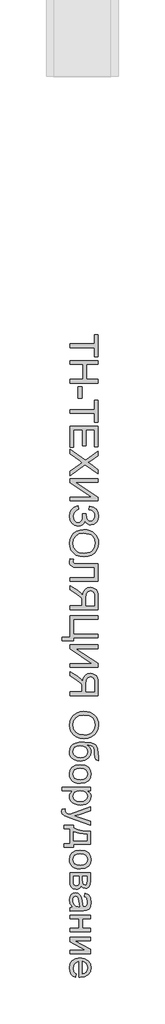
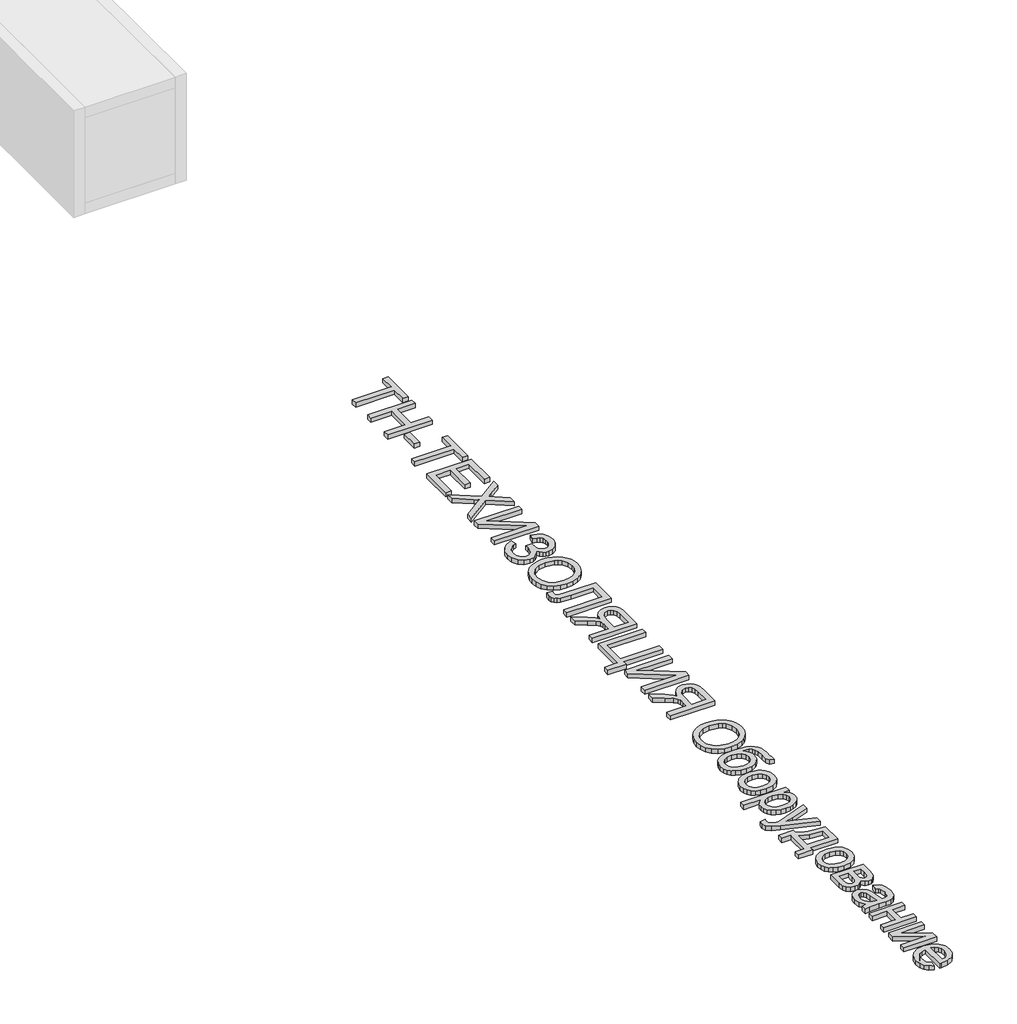
# One storey, part 2 of 2: 1 proxy.
"""IFC4 building model written with IfcOpenShell, lengths in millimetres."""

from ifc_helpers import new_model, si_unit, origin, origin_with_axes, place, context, project, spatial, polyline, outline, extrude, element, save

model = new_model("IFC4")

# Units and contexts
model_context = context("Model", 3, world=origin())
ifc_project = project(units=[si_unit("LENGTHUNIT", "METRE", prefix="MILLI")], contexts=[model_context])

# Site, building, storey
site = spatial("IfcSite", under=ifc_project)
building = spatial("IfcBuilding", under=site)
storey = spatial("IfcBuildingStorey", under=building, Elevation=0.0)

# Proxy
placement = place(None, origin())
element("IfcBuildingElementProxy", 1, Name="Generic Models", at=placement, inside=storey, context=model_context, shape_type="SweptSolid", body=[
    extrude(outline(polyline([(13619.5520286, -37659.3593778), (13791.8597209, -37659.3593778), (13791.8597209, -37594.7439932), (13816.4751055, -37594.7439932), (13816.4751055, -37748.590147), (13791.8597209, -37748.590147), (13791.8597209, -37683.9747624), (13619.5520286, -37683.9747624), (13619.5520286, -37659.3593778)])), origin_with_axes(), (0.0, 0.0, 1.0), 20.0),
    extrude(outline(polyline([(13619.5520286, -37776.2824547), (13816.4751055, -37776.2824547), (13816.4751055, -37800.8978393), (13736.4751055, -37800.8978393), (13736.4751055, -37905.5132239), (13816.4751055, -37905.5132239), (13816.4751055, -37930.1286085), (13619.5520286, -37930.1286085), (13619.5520286, -37905.5132239), (13711.8597209, -37905.5132239), (13711.8597209, -37800.8978393), (13619.5520286, -37800.8978393), (13619.5520286, -37776.2824547)])), origin_with_axes(), (0.0, 0.0, 1.0), 20.0),
    extrude(outline(polyline([(13678.0135671, -37957.8209162), (13702.6289517, -37957.8209162), (13702.6289517, -38034.7439932), (13678.0135671, -38034.7439932), (13678.0135671, -37957.8209162)])), origin_with_axes(), (0.0, 0.0, 1.0), 20.0),
    extrude(outline(polyline([(13619.5520286, -38114.7439932), (13791.8597209, -38114.7439932), (13791.8597209, -38050.1286085), (13816.4751055, -38050.1286085), (13816.4751055, -38203.9747624), (13791.8597209, -38203.9747624), (13791.8597209, -38139.3593778), (13619.5520286, -38139.3593778), (13619.5520286, -38114.7439932)])), origin_with_axes(), (0.0, 0.0, 1.0), 20.0),
    extrude(outline(polyline([(13619.5520286, -38231.6670701), (13816.4751055, -38231.6670701), (13816.4751055, -38373.2055316), (13791.8597209, -38373.2055316), (13791.8597209, -38256.2824547), (13733.3981825, -38256.2824547), (13733.3981825, -38367.0516855), (13708.7827978, -38367.0516855), (13708.7827978, -38256.2824547), (13644.1674132, -38256.2824547), (13644.1674132, -38376.2824547), (13619.5520286, -38376.2824547), (13619.5520286, -38231.6670701)])), origin_with_axes(), (0.0, 0.0, 1.0), 20.0),
    extrude(outline(polyline([(13619.5520286, -38391.6670701), (13726.8597209, -38467.5805316), (13816.4751055, -38403.9747624), (13816.4751055, -38433.4939932), (13766.0424132, -38469.3113008), (13746.3789517, -38481.3786085), (13766.3789517, -38495.5132239), (13816.4751055, -38530.9459162), (13816.4751055, -38560.8978393), (13726.5712594, -38497.2920701), (13619.5520286, -38573.2055316), (13619.5520286, -38543.6863008), (13690.8981825, -38493.1093778), (13705.7058748, -38482.5805316), (13689.4558748, -38470.9939932), (13619.5520286, -38421.6189932), (13619.5520286, -38391.6670701)])), origin_with_axes(), (0.0, 0.0, 1.0), 20.0),
    extrude(outline(polyline([(13816.4751055, -38594.7439932), (13816.4751055, -38619.3593778), (13660.5135671, -38619.3593778), (13816.4751055, -38722.4363008), (13816.4751055, -38748.590147), (13619.5520286, -38748.590147), (13619.5520286, -38723.9747624), (13775.0808748, -38723.9747624), (13619.5520286, -38621.1382239), (13619.5520286, -38594.7439932), (13816.4751055, -38594.7439932)])), origin_with_axes(), (0.0, 0.0, 1.0), 20.0),
    extrude(outline(polyline([(13674.936644, -38782.4363008), (13681.0904902, -38807.0516855), (13667.7671728, -38812.2500028), (13654.4318363, -38822.1718778), (13644.4258267, -38836.4567335), (13641.0904902, -38854.7439932), (13643.5964998, -38873.2716374), (13651.1145286, -38887.4122624), (13662.1782305, -38896.3725989), (13675.3212594, -38899.3593778), (13689.0892882, -38896.0961566), (13699.7202978, -38886.3064932), (13706.5171728, -38870.8918297), (13708.7827978, -38850.7536085), (13708.7827978, -38837.8209162), (13733.3981825, -38837.8209162), (13735.3933748, -38865.6814932), (13738.9390478, -38874.762022), (13745.5856825, -38882.7247624), (13754.3416921, -38888.277647), (13764.2154902, -38890.1286085), (13775.8080382, -38887.6646662), (13785.7779902, -38880.2728393), (13792.6469805, -38868.6742816), (13794.936644, -38853.590147), (13793.1758267, -38839.9543297), (13787.8933748, -38828.4699547), (13779.702269, -38819.6718778), (13769.2154902, -38814.0949547), (13751.8597209, -38810.1286085), (13758.0135671, -38785.5132239), (13784.936644, -38793.1604595), (13804.1674132, -38807.0156278), (13815.7058748, -38827.0787287), (13819.5520286, -38853.3497624), (13815.5556344, -38878.6923105), (13803.5664517, -38898.1814932), (13786.2287113, -38910.6033682), (13766.186644, -38914.7439932), (13753.232918, -38913.1334162), (13741.8236632, -38908.3016855), (13731.9588796, -38900.2488008), (13723.6385671, -38888.9747624), (13717.3344805, -38902.6646662), (13706.6914517, -38913.9266855), (13692.6229421, -38921.4627432), (13676.0424132, -38923.9747624), (13652.7311152, -38919.1550508), (13633.5664517, -38904.6959162), (13620.7479421, -38882.2800508), (13616.4751055, -38853.590147), (13620.1289517, -38828.6262047), (13631.0904902, -38808.4459162), (13649.3597209, -38793.0492816), (13674.936644, -38782.4363008)])), origin_with_axes(), (0.0, 0.0, 1.0), 20.0),
    extrude(outline(polyline([(13715.4174132, -38948.590147), (13738.51537, -38950.230772), (13758.9630863, -38955.152647), (13776.7605623, -38963.355772), (13791.9077978, -38974.840147), (13804.0021488, -38988.917671), (13812.6409709, -39004.9002432), (13817.8242642, -39022.7878633), (13819.5520286, -39042.5805316), (13816.3068363, -39068.4098585), (13806.5712594, -39091.5709162), (13791.030394, -39110.8016855), (13770.3693363, -39124.840147), (13745.5856825, -39133.4218778), (13717.6770286, -39136.2824547), (13689.3957786, -39133.2716374), (13664.2635671, -39124.2391855), (13643.5664517, -39109.683897), (13628.5904902, -39090.1045701), (13619.5039517, -39067.1418297), (13616.4751055, -39042.4363008), (13619.8224613, -39016.2103393), (13629.8645286, -38992.9170701), (13645.6938555, -38973.7343778), (13666.4029902, -38959.840147), (13690.2311152, -38951.402647), (13715.4174132, -38948.590147)]), holes=[polyline([(13715.1770286, -38973.2055316), (13684.3717402, -38978.1274066), (13660.8981825, -38992.8930316), (13646.0424132, -39015.0865412), (13641.0904902, -39042.2920701), (13646.0904902, -39069.8942335), (13661.0904902, -39092.1238008), (13672.139168, -39100.6739811), (13685.2852017, -39106.7812528), (13717.8693363, -39111.6670701), (13739.6602017, -39109.5757239), (13758.4943363, -39103.3016855), (13773.8969805, -39093.0072143), (13785.3933748, -39078.8545701), (13792.5508267, -39061.7812528), (13794.936644, -39042.7247624), (13790.3392882, -39016.246397), (13776.5472209, -38993.7343778), (13765.8155502, -38984.7530076), (13752.0099613, -38978.3377432), (13715.1770286, -38973.2055316)])]), origin_with_axes(), (0.0, 0.0, 1.0), 20.0),
    extrude(outline(polyline([(13816.4751055, -39185.5132239), (13816.4751055, -39305.5132239), (13619.5520286, -39305.5132239), (13619.5520286, -39280.8978393), (13791.8597209, -39280.8978393), (13791.8597209, -39210.1286085), (13691.3789517, -39210.1286085), (13646.5472209, -39207.2680316), (13633.8789517, -39202.8389451), (13624.3837594, -39195.2728393), (13618.452269, -39184.9122624), (13616.4751055, -39172.0997624), (13619.5520286, -39151.6670701), (13644.1674132, -39154.7439932), (13641.0904902, -39166.5228393), (13642.7431344, -39174.8461566), (13647.7010671, -39180.777647), (13658.7888075, -39184.3293297), (13678.8308748, -39185.5132239), (13816.4751055, -39185.5132239)])), origin_with_axes(), (0.0, 0.0, 1.0), 20.0),
    extrude(outline(polyline([(13619.5520286, -39502.4363008), (13619.5520286, -39477.8209162), (13705.7058748, -39477.8209162), (13705.7058748, -39448.1093778), (13704.8404902, -39433.8305316), (13700.1529902, -39422.1238008), (13687.3885671, -39409.1189932), (13660.3693363, -39390.6093778), (13619.5520286, -39364.9843778), (13619.5520286, -39336.3786085), (13672.9174132, -39369.215147), (13698.2539517, -39389.1670701), (13708.7827978, -39403.1574547), (13715.3092402, -39378.9086566), (13727.1001055, -39361.9314932), (13743.1818363, -39351.9254835), (13762.5808748, -39348.590147), (13778.1758267, -39350.6033682), (13792.3645286, -39356.6430316), (13803.8068363, -39366.0540893), (13811.1626055, -39378.1814932), (13815.1469805, -39394.7740412), (13816.4751055, -39417.5805316), (13816.4751055, -39502.4363008), (13619.5520286, -39502.4363008)]), holes=[polyline([(13730.3212594, -39477.8209162), (13791.8597209, -39477.8209162), (13791.8597209, -39416.5228393), (13789.7323171, -39397.0456758), (13783.3501055, -39383.6141855), (13773.6746248, -39375.8076951), (13761.6674132, -39373.2055316), (13744.9606825, -39378.6622624), (13733.8068363, -39394.6238008), (13730.3212594, -39422.7247624), (13730.3212594, -39477.8209162)])]), origin_with_axes(), (0.0, 0.0, 1.0), 20.0),
    extrude(outline(polyline([(13816.4751055, -39545.5132239), (13816.4751055, -39570.1286085), (13644.1674132, -39570.1286085), (13644.1674132, -39674.7439932), (13816.4751055, -39674.7439932), (13816.4751055, -39699.3593778), (13644.1674132, -39699.3593778), (13644.1674132, -39717.8209162), (13564.1674132, -39717.8209162), (13564.1674132, -39693.2055316), (13619.5520286, -39693.2055316), (13619.5520286, -39545.5132239), (13816.4751055, -39545.5132239)])), origin_with_axes(), (0.0, 0.0, 1.0), 20.0),
    extrude(outline(polyline([(13816.4751055, -39748.590147), (13816.4751055, -39773.2055316), (13660.5135671, -39773.2055316), (13816.4751055, -39876.2824547), (13816.4751055, -39902.4363008), (13619.5520286, -39902.4363008), (13619.5520286, -39877.8209162), (13775.0808748, -39877.8209162), (13619.5520286, -39774.9843778), (13619.5520286, -39748.590147), (13816.4751055, -39748.590147)])), origin_with_axes(), (0.0, 0.0, 1.0), 20.0),
    extrude(outline(polyline([(13619.5520286, -40099.3593778), (13619.5520286, -40074.7439932), (13705.7058748, -40074.7439932), (13705.7058748, -40045.0324547), (13704.8404902, -40030.7536085), (13700.1529902, -40019.0468778), (13687.3885671, -40006.0420701), (13660.3693363, -39987.5324547), (13619.5520286, -39961.9074547), (13619.5520286, -39933.3016855), (13672.9174132, -39966.1382239), (13698.2539517, -39986.090147), (13708.7827978, -40000.0805316), (13715.3092402, -39975.8317335), (13727.1001055, -39958.8545701), (13743.1818363, -39948.8485605), (13762.5808748, -39945.5132239), (13778.1758267, -39947.5264451), (13792.3645286, -39953.5661085), (13803.8068363, -39962.9771662), (13811.1626055, -39975.1045701), (13815.1469805, -39991.6971182), (13816.4751055, -40014.5036085), (13816.4751055, -40099.3593778), (13619.5520286, -40099.3593778)]), holes=[polyline([(13730.3212594, -40074.7439932), (13791.8597209, -40074.7439932), (13791.8597209, -40013.4459162), (13789.7323171, -39993.9687528), (13783.3501055, -39980.5372624), (13773.6746248, -39972.730772), (13761.6674132, -39970.1286085), (13744.9606825, -39975.5853393), (13733.8068363, -39991.5468778), (13730.3212594, -40019.6478393), (13730.3212594, -40074.7439932)])]), origin_with_axes(), (0.0, 0.0, 1.0), 20.0),
    extrude(outline(polyline([(13715.4174132, -40210.1286085), (13738.51537, -40211.7692335), (13758.9630863, -40216.6911085), (13776.7605623, -40224.8942335), (13791.9077978, -40236.3786085), (13804.0021488, -40250.4561326), (13812.6409709, -40266.4387047), (13817.8242642, -40284.3263249), (13819.5520286, -40304.1189932), (13816.3068363, -40329.9483201), (13806.5712594, -40353.1093778), (13791.030394, -40372.340147), (13770.3693363, -40386.3786085), (13745.5856825, -40394.9603393), (13717.6770286, -40397.8209162), (13689.3957786, -40394.8100989), (13664.2635671, -40385.777647), (13643.5664517, -40371.2223585), (13628.5904902, -40351.6430316), (13619.5039517, -40328.6802912), (13616.4751055, -40303.9747624), (13619.8224613, -40277.7488008), (13629.8645286, -40254.4555316), (13645.6938555, -40235.2728393), (13666.4029902, -40221.3786085), (13690.2311152, -40212.9411085), (13715.4174132, -40210.1286085)]), holes=[polyline([(13715.1770286, -40234.7439932), (13684.3717402, -40239.6658682), (13660.8981825, -40254.4314932), (13646.0424132, -40276.6250028), (13641.0904902, -40303.8305316), (13646.0904902, -40331.4326951), (13661.0904902, -40353.6622624), (13672.139168, -40362.2124427), (13685.2852017, -40368.3197143), (13717.8693363, -40373.2055316), (13739.6602017, -40371.1141855), (13758.4943363, -40364.840147), (13773.8969805, -40354.5456758), (13785.3933748, -40340.3930316), (13792.5508267, -40323.3197143), (13794.936644, -40304.2632239), (13790.3392882, -40277.7848585), (13776.5472209, -40255.2728393), (13765.8155502, -40246.2914691), (13752.0099613, -40239.8762047), (13715.1770286, -40234.7439932)])]), origin_with_axes(), (0.0, 0.0, 1.0), 20.0),
    extrude(outline(polyline([(13819.5520286, -40530.1286085), (13819.5520286, -40551.6670701), (13800.3452978, -40545.3209162), (13793.3981825, -40532.7728393), (13791.8597209, -40502.6286085), (13790.4414517, -40477.5985605), (13786.186644, -40462.027647), (13778.8068363, -40452.7127432), (13768.0135671, -40446.4507239), (13735.8501055, -40441.1863008), (13749.6001055, -40451.0841374), (13759.4077978, -40462.5084162), (13765.2852017, -40475.4711566), (13767.2443363, -40489.9843778), (13762.2623652, -40515.5973585), (13747.3164517, -40536.3786085), (13723.8729421, -40550.152647), (13693.3981825, -40554.7439932), (13669.9005863, -40552.4663489), (13651.0424132, -40545.6334162), (13636.3849613, -40535.6754835), (13625.4895286, -40524.0228393), (13618.7287113, -40509.2632239), (13616.4751055, -40489.9843778), (13619.3777498, -40467.7668297), (13628.0856825, -40451.1141855), (13641.3188555, -40438.8605797), (13657.7972209, -40429.840147), (13682.6109228, -40424.2872624), (13720.8501055, -40422.4363008), (13768.0796728, -40427.105772), (13784.7849012, -40432.9426109), (13796.8837594, -40441.1141855), (13805.4549733, -40451.707635), (13811.577269, -40464.8100989), (13816.4751055, -40498.5420701), (13817.0279902, -40525.9459162), (13819.5520286, -40530.1286085)]), holes=[polyline([(13694.1674132, -40530.1286085), (13713.5364036, -40527.4603393), (13729.0472209, -40519.4555316), (13739.233519, -40506.5949547), (13742.6289517, -40489.3593778), (13739.0412113, -40471.3906278), (13728.2779902, -40458.0613008), (13711.5171728, -40449.8040893), (13689.936644, -40447.0516855), (13669.0171728, -40450.0925508), (13653.6626055, -40459.215147), (13644.233519, -40472.7968778), (13641.0904902, -40489.215147), (13644.7263075, -40505.7175508), (13655.6337594, -40518.7824547), (13672.5388075, -40527.2920701), (13694.1674132, -40530.1286085)])]), origin_with_axes(), (0.0, 0.0, 1.0), 20.0),
    extrude(outline(polyline([(13691.8597209, -40579.3593778), (13726.7275094, -40584.683897), (13740.2761873, -40591.339546), (13751.2347209, -40600.6574547), (13763.2419325, -40620.3930316), (13767.2443363, -40644.0228393), (13762.3705382, -40669.8822143), (13747.749144, -40690.5372624), (13724.5339998, -40704.0769258), (13693.8789517, -40708.590147), (13669.0111632, -40706.5949547), (13650.0808748, -40700.6093778), (13635.9041921, -40690.8076951), (13625.2972209, -40677.3641855), (13618.6806344, -40661.3966374), (13616.4751055, -40644.0228393), (13621.3308748, -40617.8509643), (13635.8981825, -40597.2199547), (13659.6001055, -40583.824522), (13691.8597209, -40579.3593778)]), holes=[polyline([(13691.9077978, -40603.9747624), (13669.6301536, -40606.8233201), (13653.7587594, -40615.3689932), (13644.2575575, -40628.2295701), (13641.0904902, -40644.0228393), (13644.2755863, -40659.7439932), (13653.8308748, -40672.5805316), (13669.9126055, -40681.1262047), (13692.6770286, -40683.9747624), (13714.3056344, -40681.1081758), (13729.9606825, -40672.5084162), (13739.4618844, -40659.6538489), (13742.6289517, -40644.0228393), (13739.4739036, -40628.2295701), (13730.0087594, -40615.3689932), (13714.1734228, -40606.8233201), (13691.9077978, -40603.9747624)])]), origin_with_axes(), (0.0, 0.0, 1.0), 20.0),
    extrude(outline(polyline([(13564.1674132, -40736.2824547), (13764.1674132, -40736.2824547), (13764.1674132, -40760.8978393), (13740.0327978, -40760.8978393), (13760.4414517, -40777.9170701), (13765.5436152, -40788.3978393), (13767.2443363, -40800.8978393), (13764.8645286, -40817.5444739), (13757.7251055, -40832.0997624), (13746.2587594, -40843.9507239), (13730.8981825, -40852.4843778), (13712.7611632, -40857.6406278), (13692.9654902, -40859.3593778), (13671.9138075, -40857.418272), (13653.0856825, -40851.5949547), (13637.436644, -40842.0757239), (13625.9222209, -40829.0468778), (13618.8368844, -40813.8725989), (13616.4751055, -40797.9170701), (13618.0556344, -40786.6009643), (13622.7972209, -40776.4988008), (13638.7827978, -40760.8978393), (13564.1674132, -40760.8978393), (13564.1674132, -40736.2824547)]), holes=[polyline([(13690.7058748, -40760.8978393), (13668.6385671, -40763.5600989), (13653.2058748, -40771.5468778), (13644.1193363, -40783.3317335), (13641.0904902, -40797.3882239), (13644.2275094, -40811.6730797), (13653.6385671, -40823.7584162), (13669.6361632, -40831.9975989), (13692.5327978, -40834.7439932), (13714.4799132, -40832.0637047), (13730.1289517, -40824.0228393), (13739.5039517, -40812.2560124), (13742.6289517, -40798.3978393), (13739.3056344, -40784.4855797), (13729.3356825, -40772.2680316), (13713.0315959, -40763.7403874), (13690.7058748, -40760.8978393)])]), origin_with_axes(), (0.0, 0.0, 1.0), 20.0),
    extrude(outline(polyline([(13564.1674132, -40887.0516855), (13587.8693363, -40883.9747624), (13585.7058748, -40896.4747624), (13588.4222209, -40908.1574547), (13595.9943363, -40915.3209162), (13614.1193363, -40922.0516855), (13620.0808748, -40923.9747624), (13764.1674132, -40871.6670701), (13764.1674132, -40897.6286085), (13683.8789517, -40925.3689932), (13651.7635671, -40935.0324547), (13680.1289517, -40944.6959162), (13764.1674132, -40973.2055316), (13764.1674132, -40998.9747624), (13616.0904902, -40948.6382239), (13583.9751055, -40935.5613008), (13566.6193363, -40921.2824547), (13561.0904902, -40902.0997624), (13564.1674132, -40887.0516855)])), origin_with_axes(), (0.0, 0.0, 1.0), 20.0),
    extrude(outline(polyline([(13764.1674132, -41040.8978393), (13764.1674132, -41133.2055316), (13644.1674132, -41133.2055316), (13644.1674132, -41151.6670701), (13579.5520286, -41151.6670701), (13579.5520286, -41127.0516855), (13619.5520286, -41127.0516855), (13619.5520286, -41025.5132239), (13579.5520286, -41025.5132239), (13579.5520286, -41000.8978393), (13644.1674132, -41000.8978393), (13644.1674132, -41016.2824547), (13664.3777498, -41027.4663489), (13691.1145286, -41035.2968778), (13724.3777498, -41039.7740412), (13764.1674132, -41040.8978393)]), holes=[polyline([(13739.5520286, -41062.4363008), (13683.4702978, -41056.6670701), (13644.1674132, -41043.9747624), (13644.1674132, -41108.590147), (13739.5520286, -41108.590147), (13739.5520286, -41062.4363008)])]), origin_with_axes(), (0.0, 0.0, 1.0), 20.0),
    extrude(outline(polyline([(13691.8597209, -41173.2055316), (13726.7275094, -41178.5300508), (13740.2761873, -41185.1856999), (13751.2347209, -41194.5036085), (13763.2419325, -41214.2391855), (13767.2443363, -41237.8689932), (13762.3705382, -41263.7283682), (13747.749144, -41284.3834162), (13724.5339998, -41297.9230797), (13693.8789517, -41302.4363008), (13669.0111632, -41300.4411085), (13650.0808748, -41294.4555316), (13635.9041921, -41284.6538489), (13625.2972209, -41271.2103393), (13618.6806344, -41255.2427912), (13616.4751055, -41237.8689932), (13621.3308748, -41211.6971182), (13635.8981825, -41191.0661085), (13659.6001055, -41177.6706758), (13691.8597209, -41173.2055316)]), holes=[polyline([(13691.9077978, -41197.8209162), (13669.6301536, -41200.6694739), (13653.7587594, -41209.215147), (13644.2575575, -41222.0757239), (13641.0904902, -41237.8689932), (13644.2755863, -41253.590147), (13653.8308748, -41266.4266855), (13669.9126055, -41274.9723585), (13692.6770286, -41277.8209162), (13714.3056344, -41274.9543297), (13729.9606825, -41266.3545701), (13739.4618844, -41253.5000028), (13742.6289517, -41237.8689932), (13739.4739036, -41222.0757239), (13730.0087594, -41209.215147), (13714.1734228, -41200.6694739), (13691.9077978, -41197.8209162)])]), origin_with_axes(), (0.0, 0.0, 1.0), 20.0),
    extrude(outline(polyline([(13764.1674132, -41330.1286085), (13764.1674132, -41384.3593778), (13760.874144, -41414.0949547), (13748.8068363, -41430.8257239), (13739.1614036, -41436.0721182), (13727.7731825, -41437.8209162), (13710.6818363, -41433.590147), (13698.4943363, -41420.8497624), (13693.3801536, -41429.9603393), (13685.1529902, -41437.3882239), (13674.4618844, -41442.3281278), (13661.9558748, -41443.9747624), (13643.1938555, -41439.8040893), (13629.9847209, -41429.8882239), (13622.1602017, -41414.1911085), (13619.5520286, -41392.6766855), (13619.5520286, -41330.1286085), (13764.1674132, -41330.1286085)]), holes=[polyline([(13708.7827978, -41354.7439932), (13708.7827978, -41379.0709162), (13710.0327978, -41399.1430316), (13715.0327978, -41408.902647), (13724.0712594, -41413.2055316), (13731.4150094, -41411.3185124), (13736.1385671, -41405.6574547), (13739.5520286, -41379.840147), (13739.5520286, -41354.7439932), (13708.7827978, -41354.7439932)]), polyline([(13644.1674132, -41354.7439932), (13644.1674132, -41384.9363008), (13645.2791921, -41401.3906278), (13648.6145286, -41411.715147), (13654.6782305, -41417.2560124), (13663.9751055, -41419.3593778), (13675.8260671, -41415.152647), (13682.7251055, -41404.1911085), (13684.1674132, -41382.5324547), (13684.1674132, -41354.7439932), (13644.1674132, -41354.7439932)])]), origin_with_axes(), (0.0, 0.0, 1.0), 20.0),
    extrude(outline(polyline([(13638.0135671, -41567.0516855), (13621.3308748, -41543.1814932), (13616.4751055, -41516.8113008), (13619.3957786, -41496.2403874), (13628.1577978, -41481.0661085), (13641.4630863, -41471.7091374), (13658.0135671, -41468.590147), (13677.4847209, -41473.3016855), (13691.6193363, -41485.6814932), (13699.6962594, -41502.9170701), (13703.3981825, -41524.215147), (13711.8597209, -41566.9074547), (13717.3404902, -41567.0516855), (13728.3260671, -41565.3569739), (13735.5135671, -41560.2728393), (13740.8501055, -41548.902647), (13742.6289517, -41533.0613008), (13737.8933748, -41508.1574547), (13731.3248652, -41501.1742816), (13721.0904902, -41496.2824547), (13724.1674132, -41471.6670701), (13748.2058748, -41482.3161085), (13756.2948171, -41491.3906278), (13762.2924132, -41503.7584162), (13767.2443363, -41536.2343778), (13762.8693363, -41566.0661085), (13751.8837594, -41582.9170701), (13735.1770286, -41590.465147), (13713.6385671, -41591.6670701), (13683.0135671, -41591.6670701), (13640.249144, -41592.9170701), (13619.5520286, -41597.8209162), (13619.5520286, -41573.2055316), (13638.0135671, -41567.0516855)]), holes=[polyline([(13687.2443363, -41567.0516855), (13679.6962594, -41527.340147), (13675.7058748, -41506.1622624), (13669.2154902, -41496.5709162), (13659.7443363, -41493.2055316), (13652.4246248, -41495.0384643), (13646.4270286, -41500.5372624), (13642.4246248, -41509.5817335), (13641.0904902, -41522.0516855), (13642.5628459, -41535.2728393), (13646.9799132, -41546.9555316), (13661.2347209, -41563.0132239), (13680.2731825, -41566.9074547), (13687.2443363, -41567.0516855)])]), origin_with_axes(), (0.0, 0.0, 1.0), 20.0),
    extrude(outline(polyline([(13764.1674132, -41625.5132239), (13764.1674132, -41650.1286085), (13708.7827978, -41650.1286085), (13708.7827978, -41714.7439932), (13764.1674132, -41714.7439932), (13764.1674132, -41739.3593778), (13619.5520286, -41739.3593778), (13619.5520286, -41714.7439932), (13684.1674132, -41714.7439932), (13684.1674132, -41650.1286085), (13619.5520286, -41650.1286085), (13619.5520286, -41625.5132239), (13764.1674132, -41625.5132239)])), origin_with_axes(), (0.0, 0.0, 1.0), 20.0),
    extrude(outline(polyline([(13764.1674132, -41776.2824547), (13764.1674132, -41800.8978393), (13653.8789517, -41800.8978393), (13764.1674132, -41861.3786085), (13764.1674132, -41893.2055316), (13619.5520286, -41893.2055316), (13619.5520286, -41868.590147), (13729.1674132, -41868.590147), (13619.5520286, -41808.4939932), (13619.5520286, -41776.2824547), (13764.1674132, -41776.2824547)])), origin_with_axes(), (0.0, 0.0, 1.0), 20.0),
    extrude(outline(polyline([(13662.6289517, -42031.3786085), (13659.5520286, -42055.5132239), (13641.3669325, -42046.8173105), (13627.7731825, -42032.9411085), (13619.2996248, -42014.1971182), (13616.4751055, -41990.8978393), (13621.3489036, -41962.0156278), (13635.9702978, -41939.7920701), (13659.389769, -41925.621397), (13690.6577978, -41920.8978393), (13722.9775094, -41925.6694739), (13747.1481825, -41939.9843778), (13762.2202978, -41961.9074547), (13767.2443363, -41989.5036085), (13762.2323171, -42016.2403874), (13747.1962594, -42037.6045701), (13723.0736632, -42051.6129835), (13690.8020286, -42056.2824547), (13684.1674132, -42056.1382239), (13684.1674132, -41945.5132239), (13665.7419325, -41949.7740412), (13652.1962594, -41959.6718778), (13643.8669325, -41973.9567335), (13641.0904902, -41991.3786085), (13646.2347209, -42015.5132239), (13652.905394, -42024.4795701), (13662.6289517, -42031.3786085)]), holes=[polyline([(13708.7827978, -41945.5132239), (13708.7827978, -42031.6670701), (13721.7876055, -42028.3377432), (13731.0904902, -42021.8113008), (13739.7443363, -42007.4603393), (13742.6289517, -41989.4074547), (13740.327269, -41972.8149066), (13733.4222209, -41959.0949547), (13722.6589998, -41949.5576951), (13708.7827978, -41945.5132239)])]), origin_with_axes(), (0.0, 0.0, 1.0), 20.0),
])

save(model, "model.ifc")
